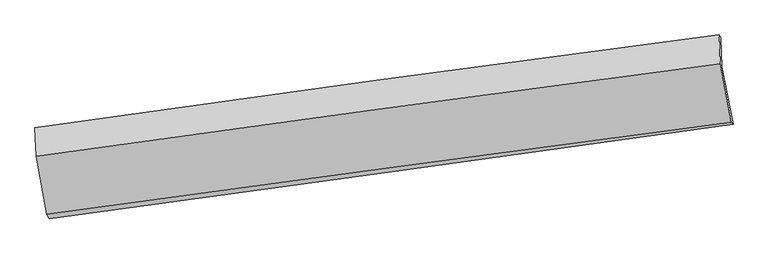
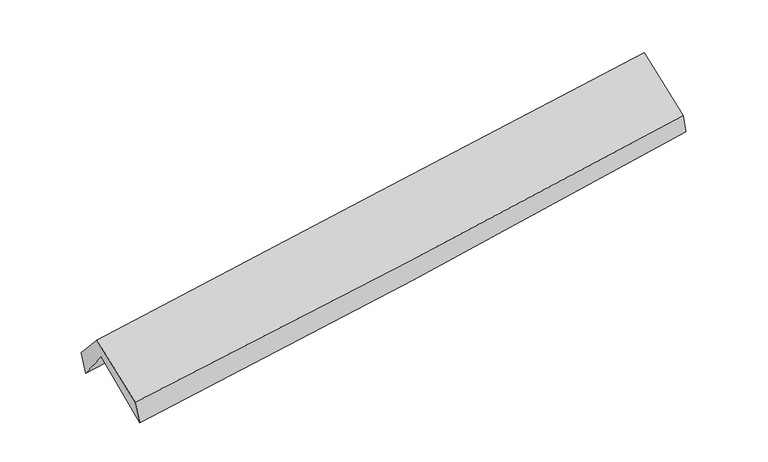
"""IFC4 building model written with IfcOpenShell, lengths in millimetres: proxy geometry."""

from ifc_helpers import new_model, si_unit, frame, origin, place, context, project, spatial, source, transform, mapped, element, save
from ifc_brep_helpers import plane_surface, spline_curve, spline_surface, advanced_brep


def generic_models_239d627b(model_context):
    return source(origin(), model_context, "Body", "AdvancedBrep", [
        advanced_brep(
        [(-2914.8920594, -2498.5278204, 1452.157131), (-3012.4081429, -2001.5778411, 1886.9448151), (2954.8901888, -1171.5901573, 2381.8241951), (3052.5808072, -1676.778692, 1958.4990342), (-3020.304085, -1745.532151, 1562.700381), (2946.2336732, -921.2191229, 2076.8783913), (-3040.8177015, -1705.0107959, 1760.7910691), (2931.0954974, -895.0474784, 2229.2759048), (-3030.4989151, -1954.1152989, 2042.106447), (2941.4112416, -1146.3927437, 2514.3628914), (-2935.5402134, -2460.3212698, 1655.8451795), (3037.5633942, -1657.0279425, 2120.0277369)],
        [
            (0, 1),
            (1, 2, spline_curve(3, [(-3012.4081429, -2001.5778411, 1886.9448151), (-2017.652668419, -1861.604864734, 1964.303427667), (-1023.010510035, -1722.454171394, 2044.221762666), (966.088943128, -1445.791540824, 2209.181340887), (1960.546228892, -1308.279673018, 2294.222799242), (2954.8901888, -1171.5901573, 2381.8241951)], [4, 2, 4], [0.0, 9.916394115813475, 19.83320470503496])),
            (2, 3),
            (3, 0, spline_curve(3, [(3052.5808072, -1676.778692, 1958.4990342), (2059.733473835, -1814.084124295, 1852.547167752), (1066.009940664, -1951.217368766, 1757.37541635), (-923.147755349, -2225.13373052, 1588.595687221), (-1918.58184439, -2361.916861935, 1514.986804506), (-2914.8920594, -2498.5278204, 1452.157131)], [4, 2, 4], [0.0, 9.916810589221484, 19.83320470503496])),
            (1, 4),
            (4, 5, spline_curve(3, [(-3020.304085, -1745.532151, 1562.700381), (-2024.581887163, -1605.291155037, 1627.096720367), (-1029.519735308, -1466.47931727, 1702.14193467), (959.326239678, -1191.708187668, 1873.53370995), (1953.110007026, -1055.74901617, 1969.881166082), (2946.2336732, -921.2191229, 2076.8783913)], [4, 2, 4], [0.0, 9.91645986106118, 19.83333619829157])),
            (5, 2),
            (4, 6),
            (6, 7, spline_curve(3, [(-3040.8177015, -1705.0107959, 1760.7910691), (-2046.703533732, -1563.161302849, 1843.326937491), (-1051.997479278, -1424.740958465, 1923.634501736), (938.640204272, -1154.752897711, 2079.796301074), (1934.57188265, -1023.185469825, 2155.650348445), (2931.0954974, -895.0474784, 2229.2759048)], [4, 2, 4], [0.0, 9.916075659666275, 19.83256777936589])),
            (7, 5),
            (6, 8),
            (8, 9, spline_curve(3, [(-3030.4989151, -1954.1152989, 2042.106447), (-2035.514771387, -1815.613182917, 2118.9544224), (-1040.373973344, -1679.053284565, 2196.732267854), (950.262732317, -1409.812269498, 2354.15100475), (1945.758653272, -1277.131316358, 2433.79197379), (2941.4112416, -1146.3927437, 2514.3628914)], [4, 2, 4], [0.0, 9.915792390904208, 19.8320012299449])),
            (9, 7),
            (8, 10),
            (10, 11, spline_curve(3, [(-2935.5402134, -2460.3212698, 1655.8451795), (-1939.062920725, -2323.334190803, 1715.885287004), (-943.076082636, -2187.900914055, 1784.58622635), (1047.958494564, -1920.136340812, 1939.313018126), (2043.00619219, -1787.805175337, 2025.339597622), (3037.5633942, -1657.0279425, 2120.0277369)], [4, 2, 4], [0.0, 9.915834660121282, 19.83208577015429])),
            (11, 9),
            (10, 0),
            (3, 11),
        ],
        [
            spline_surface(3, 3, [[(-2914.8920594, -2498.5278204, 1452.157131), (-1918.581844265, -2361.916862047, 1514.986804398), (-923.147755227, -2225.133730481, 1588.595687302), (1066.009940542, -1951.217368805, 1757.375416269), (2059.733473753, -1814.084124248, 1852.547167753), (3052.5808072, -1676.778692, 1958.4990342)], [(-2947.397420593, -2332.877827271, 1597.086359028), (-1951.605452366, -2195.14619623, 1664.759012166), (-956.435340208, -2057.573877406, 1740.471045738), (1032.702941454, -1782.742092852, 1907.977391155), (2026.671058793, -1645.48264052, 1999.772378281), (3020.017267758, -1508.382513772, 2099.607421155)], [(-2979.902781707, -2167.227834229, 1742.015587072), (-1984.629060389, -2028.375530499, 1814.531219949), (-989.722925196, -1890.014024339, 1892.346404181), (999.395942358, -1614.266816908, 2058.579366049), (1993.608643761, -1476.881156776, 2146.997588843), (2987.453728242, -1339.986335528, 2240.715808145)], [(-3012.4081429, -2001.5778411, 1886.9448151), (-2017.65266849, -1861.604864681, 1964.303427717), (-1023.010510176, -1722.454171263, 2044.221762616), (966.088943269, -1445.791540955, 2209.181340936), (1960.546228801, -1308.279673048, 2294.222799371), (2954.8901888, -1171.5901573, 2381.8241951)]], [4, 4], [4, 2, 4], [0.0, 2.2490048573306747], [0.0, 9.916394115813475, 19.83320470503496]),
            spline_surface(3, 3, [[(-3012.4081429, -2001.5778411, 1886.9448151), (-2017.65266849, -1861.604864681, 1964.303427717), (-1023.010510176, -1722.454171263, 2044.221762616), (966.088943269, -1445.791540955, 2209.181340936), (1960.546228801, -1308.279673048, 2294.222799371), (2954.8901888, -1171.5901573, 2381.8241951)], [(-3015.040123574, -1916.229277736, 1778.863337096), (-2019.962408, -1776.16696147, 1851.901192011), (-1025.180251878, -1637.129219895, 1930.195153244), (963.834708695, -1361.097089891, 2097.298797324), (1958.06748824, -1224.102787437, 2186.108921679), (2952.004683585, -1088.133145824, 2280.175593855)], [(-3017.672104326, -1830.880714364, 1670.781859004), (-2022.272147587, -1690.729058252, 1739.498956218), (-1027.349993528, -1551.804268535, 1816.168543883), (961.580474173, -1276.402638834, 1985.416253723), (1955.588747722, -1139.925901854, 2077.99504392), (2949.119178415, -1004.676134376, 2178.526992545)], [(-3020.304085, -1745.532151, 1562.700381), (-2024.581887097, -1605.291155041, 1627.096720512), (-1029.51973523, -1466.479317167, 1702.14193451), (959.326239599, -1191.70818777, 1873.533710111), (1953.11000716, -1055.749016243, 1969.881166227), (2946.2336732, -921.2191229, 2076.8783913)]], [4, 4], [4, 2, 4], [0.0, 1.3916037166746267], [0.0, 9.91645986106118, 19.83333619829157]),
            spline_surface(3, 3, [[(-3020.304085, -1745.532151, 1562.700381), (-2024.581887097, -1605.291155041, 1627.096720512), (-1029.51973523, -1466.479317167, 1702.14193451), (959.326239599, -1191.70818777, 1873.533710111), (1953.11000716, -1055.749016243, 1969.881166227), (2946.2336732, -921.2191229, 2076.8783913)], [(-3027.141957188, -1732.025032643, 1628.730610339), (-2031.955769279, -1591.247870948, 1699.173459524), (-1037.012316508, -1452.566530906, 1775.972790302), (952.430894464, -1179.389757789, 1942.287907068), (1946.930632317, -1044.894500709, 2031.804227014), (2941.187614601, -912.495241379, 2127.677562467)], [(-3033.979829312, -1718.517914257, 1694.760839761), (-2039.329651396, -1577.204586827, 1771.25019862), (-1044.504897854, -1438.653744627, 1849.803646065), (945.535549261, -1167.07132779, 2011.042103996), (1940.751257472, -1034.039985237, 2093.7272878), (2936.141555999, -903.771359921, 2178.476733633)], [(-3040.8177015, -1705.0107959, 1760.7910691), (-2046.703533578, -1563.161302734, 1843.326937633), (-1051.997479132, -1424.740958366, 1923.634501857), (938.640204125, -1154.75289781, 2079.796300953), (1934.571882629, -1023.185469703, 2155.650348587), (2931.0954974, -895.0474784, 2229.2759048)]], [4, 4], [4, 2, 4], [0.0, 0.7169774219417836], [0.0, 9.916075659666275, 19.83256777936589]),
            spline_surface(3, 3, [[(-3040.8177015, -1705.0107959, 1760.7910691), (-2046.703533578, -1563.161302734, 1843.326937633), (-1051.997479132, -1424.740958366, 1923.634501857), (938.640204125, -1154.75289781, 2079.796300953), (1934.571882629, -1023.185469703, 2155.650348587), (2931.0954974, -895.0474784, 2229.2759048)], [(-3037.37810602, -1788.04563025, 1854.562861734), (-2042.973946178, -1647.311929446, 1935.202765906), (-1048.12297723, -1509.511733756, 2014.667090549), (942.514380189, -1239.772688415, 2171.247868842), (1938.300806167, -1107.834085214, 2248.364223682), (2934.534078807, -978.829233498, 2324.304900309)], [(-3033.93851058, -1871.08046455, 1948.334654366), (-2039.244358819, -1731.462556108, 2027.078594177), (-1044.248475287, -1594.282509096, 2105.699679266), (946.388556294, -1324.792478972, 2262.699436756), (1942.029729683, -1192.48270073, 2341.078098851), (2937.972660193, -1062.610988602, 2419.333895891)], [(-3030.4989151, -1954.1152989, 2042.106447), (-2035.514771419, -1815.61318282, 2118.95442245), (-1040.373973385, -1679.053284486, 2196.732267958), (950.262732358, -1409.812269577, 2354.151004646), (1945.758653221, -1277.13131624, 2433.791973946), (2941.4112416, -1146.3927437, 2514.3628914)]], [4, 4], [4, 2, 4], [0.0, 1.2272536291985277], [0.0, 9.915792390904208, 19.8320012299449]),
            spline_surface(3, 3, [[(-3030.4989151, -1954.1152989, 2042.106447), (-2035.514771419, -1815.61318282, 2118.95442245), (-1040.373973385, -1679.053284486, 2196.732267958), (950.262732358, -1409.812269577, 2354.151004646), (1945.758653221, -1277.13131624, 2433.791973946), (2941.4112416, -1146.3927437, 2514.3628914)], [(-2998.846014542, -2122.850622506, 1913.352691182), (-2003.36415456, -1984.853518817, 1984.598043978), (-1007.941343128, -1848.669160927, 2059.350254115), (982.82798639, -1579.920293347, 2215.871675788), (1978.174499512, -1447.355936017, 2297.641181906), (2973.461959128, -1316.604476662, 2382.917839926)], [(-2967.193113958, -2291.585946194, 1784.598935318), (-1971.213537674, -2154.093854897, 1850.24166546), (-975.508712828, -2018.285037454, 1921.96824026), (1015.393240466, -1750.028317201, 2077.592346917), (2010.59034582, -1617.580555709, 2161.490389788), (3005.512676672, -1486.816209538, 2251.472788374)], [(-2935.5402134, -2460.3212698, 1655.8451795), (-1939.062920815, -2323.334190895, 1715.885286987), (-943.076082571, -2187.900913896, 1784.586226417), (1047.958494499, -1920.13634097, 1939.313018059), (2043.006192111, -1787.805175486, 2025.339597748), (3037.5633942, -1657.0279425, 2120.0277369)]], [4, 4], [4, 2, 4], [0.0, 2.1766563979533213], [0.0, 9.915834660121282, 19.83208577015429]),
            spline_surface(3, 3, [[(-2935.5402134, -2460.3212698, 1655.8451795), (-1939.062920815, -2323.334190895, 1715.885286987), (-943.076082571, -2187.900913896, 1784.586226417), (1047.958494499, -1920.13634097, 1939.313018059), (2043.006192111, -1787.805175486, 2025.339597748), (3037.5633942, -1657.0279425, 2120.0277369)], [(-2928.657495383, -2473.056786695, 1587.949163321), (-1932.235895282, -2336.195081307, 1648.919126112), (-936.433306769, -2200.311852769, 1719.256046713), (1053.9756432, -1930.496683594, 1878.667150797), (2048.581952646, -1796.564825071, 1967.74212107), (3042.569198521, -1663.611525665, 2066.184835987)], [(-2921.774777417, -2485.792303505, 1520.053147179), (-1925.408869799, -2349.055971635, 1581.952965273), (-929.790531028, -2212.722791608, 1653.925867006), (1059.992791841, -1940.857026182, 1818.021283531), (2054.157713218, -1805.324474663, 1910.144644431), (3047.575002879, -1670.195108835, 2012.341935113)], [(-2914.8920594, -2498.5278204, 1452.157131), (-1918.581844265, -2361.916862047, 1514.986804398), (-923.147755227, -2225.133730481, 1588.595687302), (1066.009940542, -1951.217368805, 1757.375416269), (2059.733473753, -1814.084124248, 1852.547167753), (3052.5808072, -1676.778692, 1958.4990342)]], [4, 4], [4, 2, 4], [0.0, 0.6330797721717687], [0.0, 9.916321719235858, 19.833059908839182]),
            plane_surface(frame((2977.2958004, -1244.6760228, 2213.4780256), z_axis=(0.9889280882074671, 0.12722662921457956, 0.07638469200710402), x_axis=(0.147405067939774, -0.7828240363053437, -0.604531450073758))),
            plane_surface(frame((-2992.4101862, -2060.8475295, 1726.7575038), z_axis=(-0.9889280882074685, -0.1272266292145467, -0.07638469200714208), x_axis=(-0.09914297550019288, 0.18345035149932795, 0.9780166864342046))),
        ],
        [
            (0, [[1, 2, 3, 4]]),
            (1, [[5, 6, 7, -2]]),
            (2, [[8, 9, 10, -6]]),
            (3, [[11, 12, 13, -9]]),
            (4, [[14, 15, 16, -12]]),
            (5, [[17, -4, 18, -15]]),
            (6, [[-16, -18, -3, -7, -10, -13]]),
            (7, [[-17, -14, -11, -8, -5, -1]]),
        ],
    ),
    ])


if __name__ == "__main__":
    model = new_model("IFC4")
    model_context = context("Model", 3, world=origin())
    ifc_project = project(units=[si_unit("LENGTHUNIT", "METRE", prefix="MILLI")], contexts=[model_context])
    site = spatial("IfcSite", under=ifc_project)
    building = spatial("IfcBuilding", under=site)
    placement = place(None, origin())
    generic_models_shape = generic_models_239d627b(model_context)
    element("IfcBuildingElementProxy", 1, Name="Generic Models", at=placement, inside=building, context=model_context, shape_type="MappedRepresentation", body=[
        mapped(generic_models_shape, transform((0.0, 0.0, 0.0), x_axis=(1.0, 0.0, 0.0), y_axis=(0.0, 1.0, 0.0), z_axis=(0.0, 0.0, 1.0))),
    ])
    save(model, "model.ifc")
